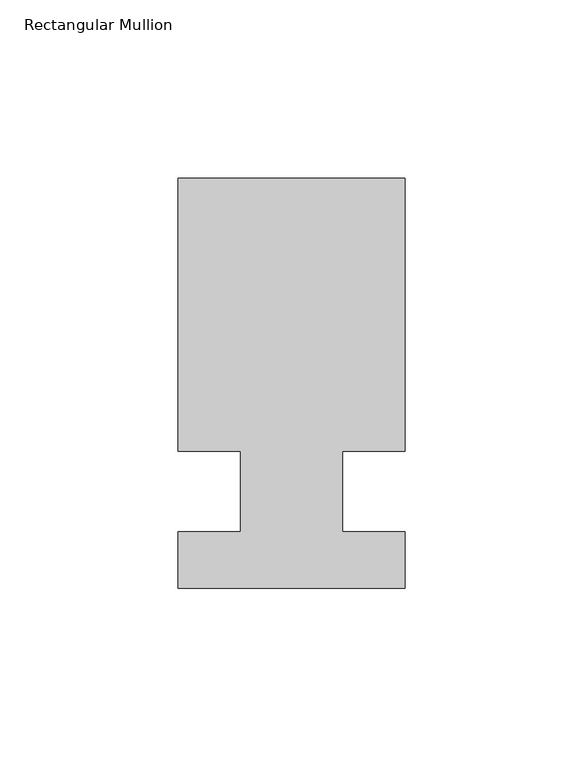
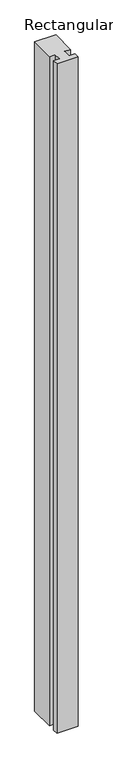
"""IFC4 building model written with IfcOpenShell, lengths in millimetres: member geometry, Rectangular Mullion."""

from ifc_helpers import new_model, si_unit, frame, origin, place, context, project, spatial, polyline, outline, extrude, source, transform, mapped, element, save


def rectangular_mullion_2c8f421a(model_context):
    return source(origin(), model_context, "Body", "SweptSolid", [
        extrude(outline(polyline([(31.75, 114.5309812), (31.75, 38.0007813), (14.2875, 38.0007813), (14.2875, 15.5217812), (31.75, 15.5217812), (31.75, -0.3278188), (-31.75, -0.3278188), (-31.75, 15.5217812), (-14.2875, 15.5217812), (-14.2875, 38.0007813), (-31.75, 38.0007813), (-31.75, 114.5309812), (31.75, 114.5309812)])), frame((0.0, 0.0, -2123.4044096), z_axis=(0.0, 0.0, 1.0), x_axis=(1.0, 0.0, 0.0)), (0.0, 0.0, 1.0), 2123.4044096),
    ])


if __name__ == "__main__":
    model = new_model("IFC4")
    model_context = context("Model", 3, world=origin())
    ifc_project = project(units=[si_unit("LENGTHUNIT", "METRE", prefix="MILLI")], contexts=[model_context])
    site = spatial("IfcSite", under=ifc_project)
    building = spatial("IfcBuilding", under=site)
    placement = place(None, origin())
    rectangular_mullion_shape = rectangular_mullion_2c8f421a(model_context)
    element("IfcMember", 1, ObjectType="Rectangular Mullion", at=placement, inside=building, context=model_context, shape_type="MappedRepresentation", body=[
        mapped(rectangular_mullion_shape, transform((0.0, 0.0, 0.0), x_axis=(1.0, 0.0, 0.0), y_axis=(0.0, 1.0, 0.0), z_axis=(0.0, 0.0, 1.0))),
    ])
    save(model, "model.ifc")
